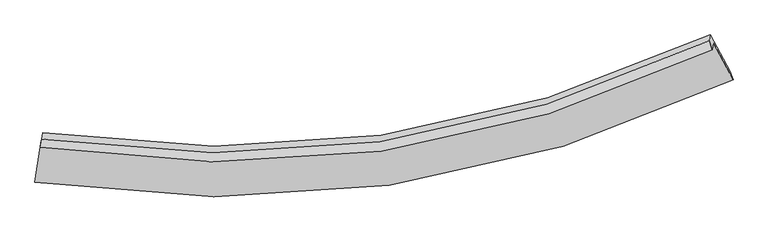
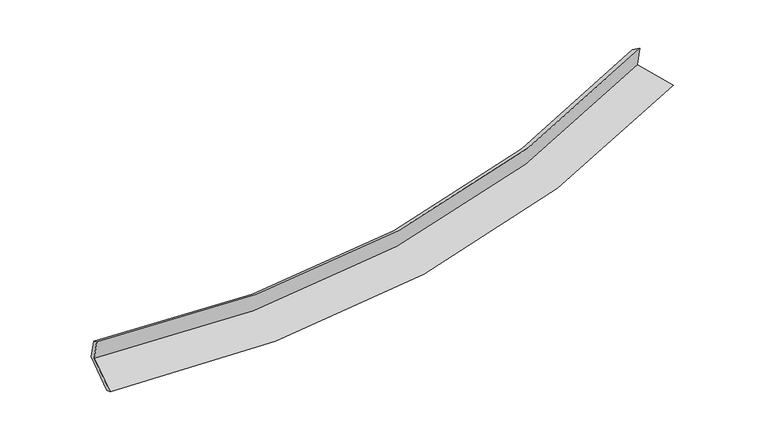
"""IFC4 building model written with IfcOpenShell, lengths in millimetres: proxy geometry."""

from ifc_helpers import new_model, si_unit, frame, origin, place, context, project, spatial, source, transform, mapped, element, save
from ifc_brep_helpers import plane_surface, spline_curve, spline_surface, advanced_brep


def generic_models_276b354e(model_context):
    return source(origin(), model_context, "Body", "AdvancedBrep", [
        advanced_brep(
        [(-5298.3036386, -1962.7262432, 1543.946674), (-5399.5137692, -2620.6503096, 1356.6734996), (5498.2903769, -1014.8775376, 2298.4027048), (5191.4882603, -443.3995032, 2443.6882237), (-5315.1863303, -2069.2576798, 1927.3347149), (5174.9585792, -547.7034086, 2819.0597685), (-5295.5875847, -1942.7203445, 1851.9687792), (5124.0648871, -409.1521936, 2724.1262535), (-5280.0963237, -1844.9689713, 1500.1786538), (5138.5283581, -317.8862764, 2395.6761518), (-5377.2599798, -2476.8713312, 1283.9421293), (5447.3966848, -876.3263225, 2203.4691898)],
        [
            (0, 1),
            (1, 2, spline_curve(3, [(-5399.5137692, -2620.6503096, 1356.6734996), (-3512.038251454, -2906.942511703, 1394.290673684), (-1669.588273682, -2920.752545227, 1490.074609966), (1965.0274701, -2397.685320157, 1801.382067859), (3755.178875054, -1848.617695544, 2019.507867106), (5498.2903769, -1014.8775376, 2298.4027048)], [4, 2, 4], [0.0, 17.81506267157022, 36.02427224371492])),
            (2, 3),
            (3, 0, spline_curve(3, [(5191.4882603, -443.3995032, 2443.6882237), (3511.974835605, -1249.691573896, 2175.220917181), (1788.023662607, -1777.822976318, 1965.827795592), (-1710.476568384, -2272.353712223, 1668.443644471), (-3483.12269567, -2250.664555907, 1577.922916622), (-5298.3036386, -1962.7262432, 1543.946674)], [4, 2, 4], [0.0, 18.209209572144697, 36.02427224371492])),
            (4, 0),
            (3, 5),
            (5, 4, spline_curve(3, [(5174.9585792, -547.7034086, 2819.0597685), (3495.471123049, -1353.831614763, 2550.002741312), (1771.502727498, -1882.07169286, 2341.000725199), (-1727.117022994, -2377.356609873, 2046.330740962), (-3499.863597872, -2356.301288124, 1958.091072814), (-5315.1863303, -2069.2576798, 1927.3347149)], [4, 2, 4], [0.0, 17.861237745517027, 35.33586060421389])),
            (6, 4),
            (5, 7),
            (7, 6, spline_curve(3, [(5124.0648871, -409.1521936, 2724.1262535), (3457.716940873, -1208.348378844, 2451.293702125), (1746.250037575, -1734.183553368, 2242.091086862), (-1728.899555738, -2233.666958287, 1954.096716024), (-3490.650142954, -2219.021167619, 1872.580173588), (-5295.5875847, -1942.7203445, 1851.9687792)], [4, 2, 4], [0.0, 17.801671527256996, 35.21801750648765])),
            (8, 6),
            (7, 9),
            (9, 8, spline_curve(3, [(5138.5283581, -317.8862764, 2395.6761518), (3473.430945243, -1109.19147274, 2094.445309447), (1762.670001179, -1630.571975169, 1869.21110751), (-1712.160315396, -2128.040713255, 1573.966301263), (-3474.274265062, -2115.687775539, 1500.70133705), (-5280.0963237, -1844.9689713, 1500.1786538)], [4, 2, 4], [0.0, 17.741966686537065, 35.09990016438991])),
            (10, 8),
            (9, 11),
            (11, 10, spline_curve(3, [(5447.3966848, -876.3263225, 2203.4691898), (3715.692406965, -1698.629382358, 1922.365860031), (1937.41195053, -2241.595793218, 1705.038783865), (-1672.801442448, -2763.148926667, 1401.260816687), (-3502.739873345, -2753.69751866, 1312.078873002), (-5377.2599798, -2476.8713312, 1283.9421293)], [4, 2, 4], [0.0, 18.08476429788963, 35.77807537166254])),
            (1, 10),
            (11, 2),
        ],
        [
            spline_surface(3, 3, [[(-5298.3036386, -1962.7262432, 1543.946674), (-3483.122695519, -2250.664555965, 1577.922916653), (-1710.476568515, -2272.353711992, 1668.443644663), (1788.023662741, -1777.822976553, 1965.827795396), (3511.974835361, -1249.691573823, 2175.220917278), (5191.4882603, -443.3995032, 2443.6882237)], [(-5332.040348792, -2182.034265331, 1481.522282546), (-3492.761214149, -2469.423874592, 1516.712168977), (-1696.847136952, -2488.486656514, 1608.987299742), (1847.024931951, -1984.443757671, 1911.012552932), (3593.04284851, -1449.333614374, 2123.316567105), (5293.755632506, -633.892181315, 2395.259717385)], [(-5365.777059008, -2401.342287469, 1419.097891054), (-3502.399732802, -2688.183193227, 1455.501421263), (-1683.21770545, -2704.619600993, 1549.530954783), (1906.0262011, -2191.064538745, 1856.197310429), (3674.110861642, -1648.975654979, 2071.412216977), (5396.023004694, -824.384859485, 2346.831211115)], [(-5399.5137692, -2620.6503096, 1356.6734996), (-3512.038251433, -2906.942511854, 1394.290673587), (-1669.588273887, -2920.752545515, 1490.074609862), (1965.02747031, -2397.685319863, 1801.382067965), (3755.178874792, -1848.617695531, 2019.507866804), (5498.2903769, -1014.8775376, 2298.4027048)]], [4, 4], [4, 2, 4], [0.0, 2.184277311859948], [0.0, 17.81506267157022, 36.02427224371492]),
            spline_surface(3, 3, [[(-5315.1863303, -2069.2576798, 1927.3347149), (-3499.863597928, -2356.301288263, 1958.09107298), (-1727.117023244, -2377.356609723, 2046.33074107), (1771.502727754, -1882.071693014, 2341.000725089), (3495.471122911, -1353.831614499, 2550.002741549), (5174.9585792, -547.7034086, 2819.0597685)], [(-5309.558766411, -2033.747200914, 1799.538701265), (-3494.283297136, -2321.089044145, 1831.368354203), (-1721.570205006, -2342.355643793, 1920.368375606), (1777.009706078, -1847.32212084, 2215.943081863), (3500.972360391, -1319.118267612, 2425.075466803), (5180.468472897, -512.935440138, 2693.935920244)], [(-5303.931202489, -1998.236722086, 1671.742687635), (-3488.702996311, -2285.876800084, 1704.64563543), (-1716.023386753, -2307.354677922, 1794.406010126), (1782.516684417, -1812.572548727, 2090.885438622), (3506.47359788, -1284.40492071, 2300.148192024), (5185.978366603, -478.167471662, 2568.812071956)], [(-5298.3036386, -1962.7262432, 1543.946674), (-3483.122695519, -2250.664555965, 1577.922916653), (-1710.476568515, -2272.353711992, 1668.443644663), (1788.023662741, -1777.822976553, 1965.827795396), (3511.974835361, -1249.691573823, 2175.220917278), (5191.4882603, -443.3995032, 2443.6882237)]], [4, 4], [4, 2, 4], [0.0, 1.2831921315511674], [0.0, 17.474622858696865, 35.33586060421389]),
            spline_surface(3, 3, [[(-5295.5875847, -1942.7203445, 1851.9687792), (-3490.650143158, -2219.021167727, 1872.580173529), (-1728.899555706, -2233.666958497, 1954.096716118), (1746.250037542, -1734.183553153, 2242.091086765), (3457.716940661, -1208.348378778, 2451.293702319), (5124.0648871, -409.1521936, 2724.1262535)], [(-5302.120499887, -1984.899456275, 1877.090757754), (-3493.721294735, -2264.781207914, 1901.083806667), (-1728.305378205, -2281.563508919, 1984.841391089), (1754.66760096, -1783.479599787, 2275.060966194), (3470.301668074, -1256.842790702, 2484.196715396), (5141.029451129, -455.33593195, 2755.770758501)], [(-5308.653415113, -2027.078568025, 1902.212736346), (-3496.792446351, -2310.541248077, 1929.587439842), (-1727.711200746, -2329.460059301, 2015.586066098), (1763.085164336, -1832.775646381, 2308.03084566), (3482.886395499, -1305.337202576, 2517.099728472), (5157.994015171, -501.51967025, 2787.415263499)], [(-5315.1863303, -2069.2576798, 1927.3347149), (-3499.863597928, -2356.301288263, 1958.09107298), (-1727.117023244, -2377.356609723, 2046.33074107), (1771.502727754, -1882.071693014, 2341.000725089), (3495.471122911, -1353.831614499, 2550.002741549), (5174.9585792, -547.7034086, 2819.0597685)]], [4, 4], [4, 2, 4], [0.0, 0.5739573690623389], [0.0, 17.416345979230652, 35.21801750648765]),
            spline_surface(3, 3, [[(-5280.0963237, -1844.9689713, 1500.1786538), (-3474.27426533, -2115.687775766, 1500.701337189), (-1712.160315378, -2128.040713245, 1573.966301171), (1762.67000116, -1630.571975179, 1869.211107605), (3473.430945167, -1109.191472772, 2094.445309616), (5138.5283581, -317.8862764, 2395.6761518)], [(-5285.260077378, -1877.552762366, 1617.442028948), (-3479.732891284, -2150.132239752, 1624.660949317), (-1717.740062183, -2163.249461649, 1700.676439481), (1757.196679926, -1665.109167824, 1993.504433986), (3468.19294368, -1142.243774779, 2213.394773841), (5133.707201115, -348.308248804, 2505.159519024)], [(-5290.423831022, -1910.136553434, 1734.705404052), (-3485.191517204, -2184.576703741, 1748.6205614), (-1723.319808902, -2198.458210093, 1827.386577808), (1751.723358776, -1699.646360509, 2117.797760384), (3462.954942148, -1175.296076772, 2332.344238094), (5128.886044085, -378.730221196, 2614.642886276)], [(-5295.5875847, -1942.7203445, 1851.9687792), (-3490.650143158, -2219.021167727, 1872.580173529), (-1728.899555706, -2233.666958497, 1954.096716118), (1746.250037542, -1734.183553153, 2242.091086765), (3457.716940661, -1208.348378778, 2451.293702319), (5124.0648871, -409.1521936, 2724.1262535)]], [4, 4], [4, 2, 4], [0.0, 1.2829224120576943], [0.0, 17.357933477852843, 35.09990016438991]),
            spline_surface(3, 3, [[(-5377.2599798, -2476.8713312, 1283.9421293), (-3502.739873634, -2753.697518658, 1312.078873056), (-1672.801442276, -2763.148926608, 1401.260816745), (1937.411950354, -2241.595793278, 1705.038783805), (3715.692407174, -1698.62938241, 1922.365860306), (5447.3966848, -876.3263225, 2203.4691898)], [(-5344.872094428, -2266.237211237, 1356.020970799), (-3493.251337527, -2541.027604364, 1374.953027766), (-1685.921066618, -2551.446188843, 1458.829311556), (1879.164633981, -2037.921187268, 1759.762891741), (3634.938586487, -1502.150079173, 1979.725676756), (5344.440575882, -690.179640442, 2267.538177147)], [(-5312.484209072, -2055.603091263, 1428.099812301), (-3483.762801437, -2328.35769006, 1437.827182479), (-1699.040691036, -2339.74345101, 1516.397806359), (1820.917317533, -1834.246581189, 1814.486999669), (3554.184765854, -1305.670776009, 2037.085493166), (5241.484467018, -504.032958458, 2331.607164453)], [(-5280.0963237, -1844.9689713, 1500.1786538), (-3474.27426533, -2115.687775766, 1500.701337189), (-1712.160315378, -2128.040713245, 1573.966301171), (1762.67000116, -1630.571975179, 1869.211107605), (3473.430945167, -1109.191472772, 2094.445309616), (5138.5283581, -317.8862764, 2395.6761518)]], [4, 4], [4, 2, 4], [0.0, 2.1463804197699874], [0.0, 17.693311073772907, 35.77807537166254]),
            spline_surface(3, 3, [[(-5399.5137692, -2620.6503096, 1356.6734996), (-3512.038251433, -2906.942511854, 1394.290673587), (-1669.588273887, -2920.752545515, 1490.074609862), (1965.02747031, -2397.685319863, 1801.382067965), (3755.178874792, -1848.617695531, 2019.507866804), (5498.2903769, -1014.8775376, 2298.4027048)], [(-5392.095839403, -2572.723983478, 1332.429709487), (-3508.93879217, -2855.860847467, 1366.886740064), (-1670.659330043, -2868.218005862, 1460.470012153), (1955.822296965, -2345.655477651, 1769.267639909), (3742.016718923, -1798.621591174, 1987.12719797), (5481.325812871, -968.69379925, 2266.758199799)], [(-5384.677909597, -2524.797657322, 1308.185919413), (-3505.839332897, -2804.779183045, 1339.482806579), (-1671.73038612, -2815.683466261, 1430.865414454), (1946.617123699, -2293.62563549, 1737.153211862), (3728.854563042, -1748.625486767, 1954.746529139), (5464.361248829, -922.51006085, 2235.113694801)], [(-5377.2599798, -2476.8713312, 1283.9421293), (-3502.739873634, -2753.697518658, 1312.078873056), (-1672.801442276, -2763.148926608, 1401.260816745), (1937.411950354, -2241.595793278, 1705.038783805), (3715.692407174, -1698.62938241, 1922.365860306), (5447.3966848, -876.3263225, 2203.4691898)]], [4, 4], [4, 2, 4], [0.0, 0.5998359887436114], [0.0, 18.09222547679275, 36.584729904473065]),
            plane_surface(frame((5262.4545244, -601.5575403, 2480.7370487), z_axis=(0.8860921743832232, 0.43505225772262934, 0.1599068214531659), x_axis=(-0.04238988323539188, -0.2674843117566452, 0.9626293371611753))),
            plane_surface(frame((-5327.6579377, -2152.8658133, 1577.3407418), z_axis=(-0.98832242449271, 0.1523725324833397, -0.0011817738638610145), x_axis=(0.14636216397737992, 0.9514382556470418, 0.27081979736934503))),
        ],
        [
            (0, [[1, 2, 3, 4]]),
            (1, [[5, -4, 6, 7]]),
            (2, [[8, -7, 9, 10]]),
            (3, [[11, -10, 12, 13]]),
            (4, [[14, -13, 15, 16]]),
            (5, [[17, -16, 18, -2]]),
            (6, [[-12, -9, -6, -3, -18, -15]]),
            (7, [[-1, -5, -8, -11, -14, -17]]),
        ],
    ),
    ])


if __name__ == "__main__":
    model = new_model("IFC4")
    model_context = context("Model", 3, world=origin())
    ifc_project = project(units=[si_unit("LENGTHUNIT", "METRE", prefix="MILLI")], contexts=[model_context])
    site = spatial("IfcSite", under=ifc_project)
    building = spatial("IfcBuilding", under=site)
    placement = place(None, origin())
    generic_models_shape = generic_models_276b354e(model_context)
    element("IfcBuildingElementProxy", 1, Name="Generic Models", at=placement, inside=building, context=model_context, shape_type="MappedRepresentation", body=[
        mapped(generic_models_shape, transform((0.0, 0.0, 0.0), x_axis=(1.0, 0.0, 0.0), y_axis=(0.0, 1.0, 0.0), z_axis=(0.0, 0.0, 1.0))),
    ])
    save(model, "model.ifc")
